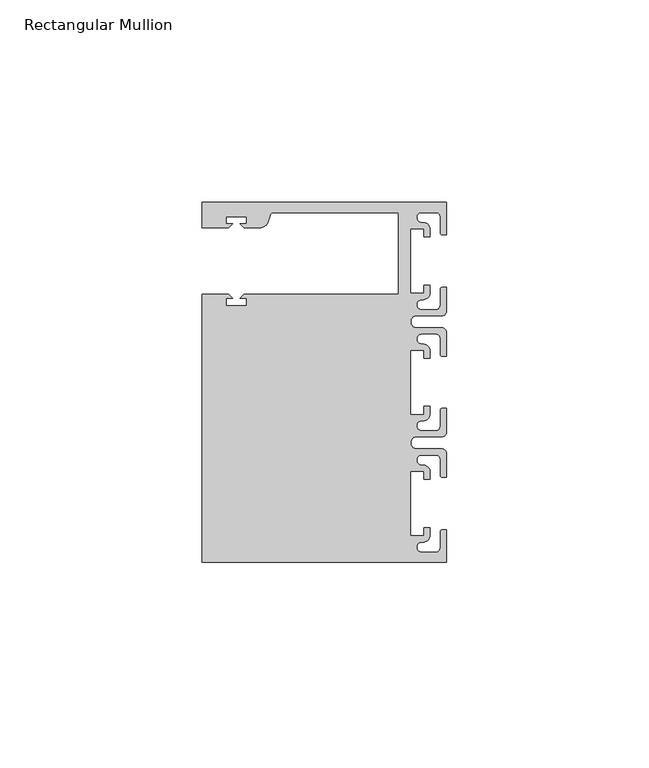
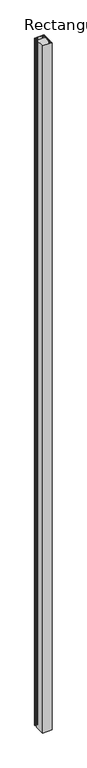
"""IFC4 building model written with IfcOpenShell, lengths in millimetres: member geometry, Rectangular Mullion."""

from ifc_helpers import new_model, si_unit, point, frame, frame_2d, origin, place, context, project, spatial, polyline, circle_curve, trimmed, segment, composite_curve, outline, extrude, source, transform, mapped, element, save


def rectangular_mullion_2e2f8253(model_context):
    return source(origin(), model_context, "Body", "SweptSolid", [
        extrude(outline(composite_curve([segment(polyline([(0.0, 44.45), (0.0, 36.4500318), (-1.0, 36.4500318)]), True, "CONTINUOUS"), segment(trimmed(circle_curve(frame_2d((-1.0, 36.9500318)), 0.5), [point((-1.0, 36.4500318))], [point((-1.5, 36.9500318))], False, "CARTESIAN"), True, "CONTINUOUS"), segment(polyline([(-1.5, 36.9500318), (-1.5, 40.95)]), True, "CONTINUOUS"), segment(trimmed(circle_curve(frame_2d((-2.5, 40.95)), 1.0), [point((-1.5, 40.95))], [point((-2.5, 41.95))], True, "CARTESIAN"), True, "CONTINUOUS"), segment(polyline([(-2.5, 41.95), (-6.0499986, 41.95)]), True, "CONTINUOUS"), segment(trimmed(circle_curve(frame_2d((-6.0499986, 40.6999986)), 1.2500014), [point((-6.0499986, 41.95))], [point((-5.9027291, 39.4587029))], True, "CARTESIAN"), True, "CONTINUOUS"), segment(trimmed(circle_curve(frame_2d((-5.7186029, 37.7499972)), 1.7185975), [point((-5.9027291, 39.4587029))], [point((-4.0000054, 37.7499972))], False, "CARTESIAN"), True, "CONTINUOUS"), segment(polyline([(-4.0000054, 37.7499972), (-4.0000054, 35.9500318), (-5.5, 35.9500318), (-5.5, 37.9499972), (-8.8585786, 37.9499972), (-8.8585786, 21.9499956), (-5.5, 21.9499956), (-5.5, 23.9499611), (-3.9999946, 23.9499611), (-3.9999946, 22.0272972)]), True, "CONTINUOUS"), segment(trimmed(circle_curve(frame_2d((-5.7543344, 22.1865598)), 1.761554), [point((-3.9999946, 22.0272972))], [point((-6.0499986, 20.4499956))], False, "CARTESIAN"), True, "CONTINUOUS"), segment(trimmed(circle_curve(frame_2d((-6.0499986, 19.1999942)), 1.2500014), [point((-6.0499986, 20.4499956))], [point((-6.0499986, 17.9499929))], True, "CARTESIAN"), True, "CONTINUOUS"), segment(polyline([(-6.0499986, 17.9499929), (-2.5, 17.9499929)]), True, "CONTINUOUS"), segment(trimmed(circle_curve(frame_2d((-2.5, 18.9499929)), 1.0), [point((-2.5, 17.9499929))], [point((-1.5, 18.9499929))], True, "CARTESIAN"), True, "CONTINUOUS"), segment(polyline([(-1.5, 18.9499929), (-1.5, 22.9499611)]), True, "CONTINUOUS"), segment(trimmed(circle_curve(frame_2d((-1.0, 22.9499611)), 0.5), [point((-1.5, 22.9499611))], [point((-1.0, 23.4499611))], False, "CARTESIAN"), True, "CONTINUOUS"), segment(polyline([(-1.0, 23.4499611), (0.0, 23.4499611), (0.0, 17.4499929)]), True, "CONTINUOUS"), segment(trimmed(circle_curve(frame_2d((-1.0, 17.4499929)), 1.0), [point((0.0, 17.4499929))], [point((-1.0, 16.4499929))], False, "CARTESIAN"), True, "CONTINUOUS"), segment(polyline([(-1.0, 16.4499929), (-7.3, 16.4499929)]), True, "CONTINUOUS"), segment(trimmed(circle_curve(frame_2d((-7.3, 14.9499929)), 1.5), [point((-7.3, 16.4499929))], [point((-7.3046244, 13.45))], True, "CARTESIAN"), True, "CONTINUOUS"), segment(polyline([(-7.3046244, 13.45), (-1.0, 13.45)]), True, "CONTINUOUS"), segment(trimmed(circle_curve(frame_2d((-1.0, 12.45)), 1.0), [point((-1.0, 13.45))], [point((0.0, 12.45))], False, "CARTESIAN"), True, "CONTINUOUS"), segment(polyline([(0.0, 12.45), (0.0, 6.4500354), (-0.9999964, 6.4500354)]), True, "CONTINUOUS"), segment(trimmed(circle_curve(frame_2d((-0.9999964, 6.9500354)), 0.5), [point((-0.9999964, 6.4500354))], [point((-1.4999964, 6.9500354))], False, "CARTESIAN"), True, "CONTINUOUS"), segment(polyline([(-1.4999964, 6.9500354), (-1.4999964, 10.95)]), True, "CONTINUOUS"), segment(trimmed(circle_curve(frame_2d((-2.4999964, 10.95)), 1.0), [point((-1.4999964, 10.95))], [point((-2.4999964, 11.95))], True, "CARTESIAN"), True, "CONTINUOUS"), segment(polyline([(-2.4999964, 11.95), (-6.0499986, 11.95)]), True, "CONTINUOUS"), segment(trimmed(circle_curve(frame_2d((-6.0499986, 10.6999986)), 1.2500014), [point((-6.0499986, 11.95))], [point((-6.0499986, 9.4499972))], True, "CARTESIAN"), True, "CONTINUOUS"), segment(trimmed(circle_curve(frame_2d((-5.7298824, 7.7499972)), 1.729877), [point((-6.0499986, 9.4499972))], [point((-4.0000054, 7.7499972))], False, "CARTESIAN"), True, "CONTINUOUS"), segment(polyline([(-4.0000054, 7.7499972), (-4.0000054, 5.9500318), (-5.5, 5.9500318), (-5.5, 7.9499972), (-8.8, 7.9499972), (-8.8, -7.9499972), (-5.5, -7.9499972), (-5.5, -5.9500318), (-4.0000054, -5.9500318), (-4.0000054, -7.7499972)]), True, "CONTINUOUS"), segment(trimmed(circle_curve(frame_2d((-5.7298824, -7.7499972)), 1.729877), [point((-4.0000054, -7.7499972))], [point((-6.0499986, -9.4499972))], False, "CARTESIAN"), True, "CONTINUOUS"), segment(trimmed(circle_curve(frame_2d((-6.0499986, -10.6999986)), 1.2500014), [point((-6.0499986, -9.4499972))], [point((-6.0499986, -11.95))], True, "CARTESIAN"), True, "CONTINUOUS"), segment(polyline([(-6.0499986, -11.95), (-2.4999964, -11.95)]), True, "CONTINUOUS"), segment(trimmed(circle_curve(frame_2d((-2.4999964, -10.95)), 1.0), [point((-2.4999964, -11.95))], [point((-1.4999964, -10.95))], True, "CARTESIAN"), True, "CONTINUOUS"), segment(polyline([(-1.4999964, -10.95), (-1.4999964, -6.9500354)]), True, "CONTINUOUS"), segment(trimmed(circle_curve(frame_2d((-0.9999964, -6.9500354)), 0.5), [point((-1.4999964, -6.9500354))], [point((-0.9999964, -6.4500354))], False, "CARTESIAN"), True, "CONTINUOUS"), segment(polyline([(-0.9999964, -6.4500354), (0.0, -6.4500354), (0.0, -12.45)]), True, "CONTINUOUS"), segment(trimmed(circle_curve(frame_2d((-1.0, -12.45)), 1.0), [point((0.0, -12.45))], [point((-1.0, -13.45))], False, "CARTESIAN"), True, "CONTINUOUS"), segment(polyline([(-1.0, -13.45), (-7.3046244, -13.45)]), True, "CONTINUOUS"), segment(trimmed(circle_curve(frame_2d((-7.3, -14.9499929)), 1.5), [point((-7.3046244, -13.45))], [point((-7.3, -16.4499929))], True, "CARTESIAN"), True, "CONTINUOUS"), segment(polyline([(-7.3, -16.4499929), (-1.0, -16.4499929)]), True, "CONTINUOUS"), segment(trimmed(circle_curve(frame_2d((-1.0, -17.4499929)), 1.0), [point((-1.0, -16.4499929))], [point((0.0, -17.4499929))], False, "CARTESIAN"), True, "CONTINUOUS"), segment(polyline([(0.0, -17.4499929), (0.0, -23.4499611), (-1.0, -23.4499611)]), True, "CONTINUOUS"), segment(trimmed(circle_curve(frame_2d((-1.0, -22.9499611)), 0.5), [point((-1.0, -23.4499611))], [point((-1.5, -22.9499611))], False, "CARTESIAN"), True, "CONTINUOUS"), segment(polyline([(-1.5, -22.9499611), (-1.5, -18.9499929)]), True, "CONTINUOUS"), segment(trimmed(circle_curve(frame_2d((-2.5, -18.9499929)), 1.0), [point((-1.5, -18.9499929))], [point((-2.5, -17.9499929))], True, "CARTESIAN"), True, "CONTINUOUS"), segment(polyline([(-2.5, -17.9499929), (-6.0499986, -17.9499929)]), True, "CONTINUOUS"), segment(trimmed(circle_curve(frame_2d((-6.0499986, -19.1999942)), 1.2500014), [point((-6.0499986, -17.9499929))], [point((-6.0499986, -20.4499956))], True, "CARTESIAN"), True, "CONTINUOUS"), segment(trimmed(circle_curve(frame_2d((-5.7543344, -22.1865598)), 1.761554), [point((-6.0499986, -20.4499956))], [point((-3.9999946, -22.0272972))], False, "CARTESIAN"), True, "CONTINUOUS"), segment(polyline([(-3.9999946, -22.0272972), (-3.9999946, -23.9499611), (-5.5, -23.9499611), (-5.5, -21.9499956), (-8.8585786, -21.9499956), (-8.8585786, -37.9499972), (-5.5, -37.9499972), (-5.5, -35.9500318), (-4.0000054, -35.9500318), (-4.0000054, -37.7499972)]), True, "CONTINUOUS"), segment(trimmed(circle_curve(frame_2d((-5.7186029, -37.7499972)), 1.7185975), [point((-4.0000054, -37.7499972))], [point((-5.9027291, -39.4587029))], False, "CARTESIAN"), True, "CONTINUOUS"), segment(trimmed(circle_curve(frame_2d((-6.0499986, -40.6999986)), 1.2500014), [point((-5.9027291, -39.4587029))], [point((-6.0499986, -41.95))], True, "CARTESIAN"), True, "CONTINUOUS"), segment(polyline([(-6.0499986, -41.95), (-2.5, -41.95)]), True, "CONTINUOUS"), segment(trimmed(circle_curve(frame_2d((-2.5, -40.95)), 1.0), [point((-2.5, -41.95))], [point((-1.5, -40.95))], True, "CARTESIAN"), True, "CONTINUOUS"), segment(polyline([(-1.5, -40.95), (-1.5, -36.9500318)]), True, "CONTINUOUS"), segment(trimmed(circle_curve(frame_2d((-1.0, -36.9500318)), 0.5), [point((-1.5, -36.9500318))], [point((-1.0, -36.4500318))], False, "CARTESIAN"), True, "CONTINUOUS"), segment(polyline([(-1.0, -36.4500318), (0.0, -36.4500318), (0.0, -44.45), (-60.325, -44.45), (-60.325, 21.749999), (-53.8507562, 21.749999), (-52.8507405, 20.7499834), (-54.4250134, 20.7499834), (-54.4250134, 18.949936), (-49.4250186, 18.949936), (-49.4250186, 20.7499834), (-50.999256, 20.7499834), (-49.9992434, 21.7499959), (-11.8, 21.7499959), (-11.8, 41.95), (-42.6099329, 41.95)]), True, "CONTINUOUS"), segment(trimmed(circle_curve(frame_2d((-42.6099329, 40.9500001)), 1.0), [point((-42.6099329, 41.95))], [point((-43.5758588, 41.2088192))], True, "CARTESIAN"), True, "CONTINUOUS"), segment(polyline([(-43.5758588, 41.2088192), (-43.8989707, 40.002949)]), True, "CONTINUOUS"), segment(trimmed(circle_curve(frame_2d((-46.3137853, 40.6499966)), 2.5), [point((-43.8989707, 40.002949))], [point((-46.3137853, 38.1499966))], False, "CARTESIAN"), True, "CONTINUOUS"), segment(polyline([(-46.3137853, 38.1499966), (-49.9992503, 38.1499966), (-50.999256, 39.1500023), (-49.4249831, 39.1500023), (-49.4249831, 40.9498819), (-54.4249778, 40.9498819), (-54.4249778, 39.1500023), (-52.8507405, 39.1500023), (-53.8507531, 38.1499897), (-60.3249977, 38.1499897), (-60.3249977, 44.45), (0.0, 44.45)]), True, "CONTINUOUS")], self_intersect=False)), frame((0.0, 0.0, -4673.6), z_axis=(0.0, 0.0, 1.0), x_axis=(1.0, 0.0, 0.0)), (0.0, 0.0, 1.0), 4673.6),
    ])


if __name__ == "__main__":
    model = new_model("IFC4")
    model_context = context("Model", 3, world=origin())
    ifc_project = project(units=[si_unit("LENGTHUNIT", "METRE", prefix="MILLI")], contexts=[model_context])
    site = spatial("IfcSite", under=ifc_project)
    building = spatial("IfcBuilding", under=site)
    placement = place(None, origin())
    rectangular_mullion_shape = rectangular_mullion_2e2f8253(model_context)
    element("IfcMember", 1, ObjectType="Rectangular Mullion", at=placement, inside=building, context=model_context, shape_type="MappedRepresentation", body=[
        mapped(rectangular_mullion_shape, transform((0.0, 0.0, 0.0), x_axis=(1.0, 0.0, 0.0), y_axis=(0.0, 1.0, 0.0), z_axis=(0.0, 0.0, 1.0))),
    ])
    save(model, "model.ifc")
